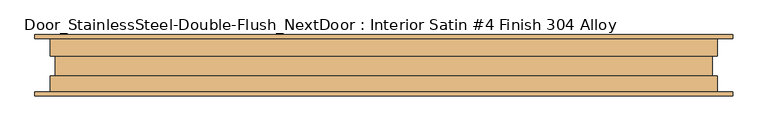
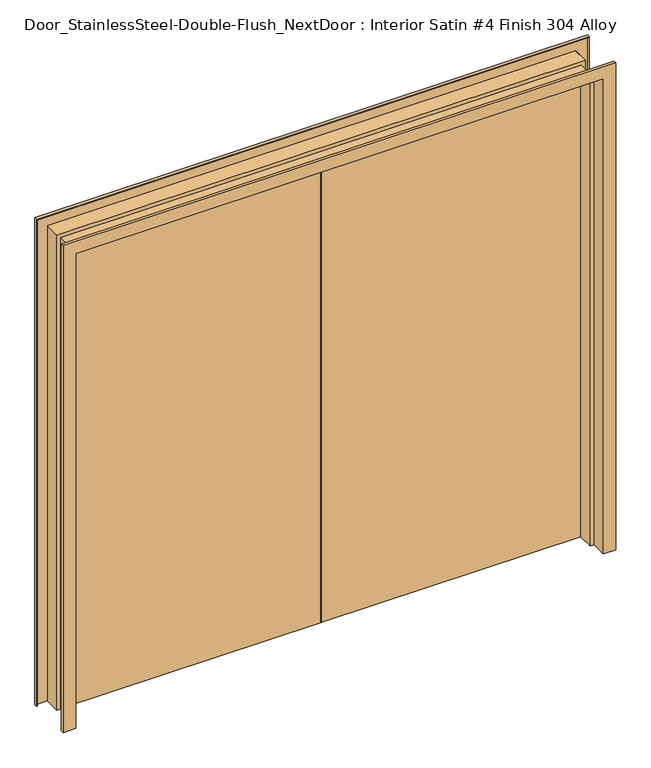
"""IFC4 building model written with IfcOpenShell, lengths in millimetres: door geometry, Door_StainlessSteel-Double-Flush_NextDoor : Interior Satin #4 Finish 304 Alloy."""

from ifc_helpers import new_model, si_unit, origin, origin_with_axes, place, context, project, spatial, polyline, outline, extrude, faceted_brep, source, transform, mapped, element, save


def door_stainlesssteel_double_flush_nextdoor_interior_satin_4_afc697c7(model_context):
    return source(origin(), model_context, "Body", "SolidModel", [
        faceted_brep([(-1117.6, 96.8375, 0.0), (-1066.8, 96.8375, 0.0), (-1066.8, 30.1625, 0.0), (-1050.925, 30.1625, 0.0), (-1050.925, -36.5125, 0.0), (-1066.8, -36.5125, 0.0), (-1066.8, -100.0125, 0.0), (-1117.6, -100.0125, 0.0), (-1117.6, -87.3125, 0.0), (-1116.0125, -87.3125, 0.0), (-1116.0125, -98.425, 0.0), (-1068.3875, -98.425, 0.0), (-1068.3875, -34.925, 0.0), (-1052.5125, -34.925, 0.0), (-1052.5125, 28.575, 0.0), (-1068.3875, 28.575, 0.0), (-1068.3875, 95.25, 0.0), (-1116.0125, 95.25, 0.0), (-1116.0125, 84.1375, 0.0), (-1117.6, 84.1375, 0.0), (-1117.6, 96.8375, 2082.8), (1117.6, 96.8375, 2082.8), (1117.6, 96.8375, 0.0), (1066.8, 96.8375, 0.0), (1066.8, 96.8375, 2032.0), (-1066.8, 96.8375, 2032.0), (-1066.8, 30.1625, 2032.0), (1066.8, 30.1625, 2032.0), (1066.8, 30.1625, 0.0), (1050.925, 30.1625, 0.0), (1050.925, 30.1625, 2016.125), (-1050.925, 30.1625, 2016.125), (-1050.925, -36.5125, 2016.125), (1050.925, -36.5125, 2016.125), (1050.925, -36.5125, 0.0), (1066.8, -36.5125, 0.0), (1066.8, -36.5125, 2032.0), (-1066.8, -36.5125, 2032.0), (-1066.8, -100.0125, 2032.0), (1066.8, -100.0125, 2032.0), (1066.8, -100.0125, 0.0), (1117.6, -100.0125, 0.0), (1117.6, -100.0125, 2082.8), (-1117.6, -100.0125, 2082.8), (-1117.6, -87.3125, 2082.8), (1117.6, -87.3125, 2082.8), (1117.6, -87.3125, 0.0), (1116.0125, -87.3125, 0.0), (1116.0125, -87.3125, 2081.2125), (-1116.0125, -87.3125, 2081.2125), (-1116.0125, -98.425, 2081.2125), (1116.0125, -98.425, 2081.2125), (1116.0125, -98.425, 0.0), (1068.3875, -98.425, 0.0), (1068.3875, -98.425, 2033.5875), (-1068.3875, -98.425, 2033.5875), (-1068.3875, -34.925, 2033.5875), (1068.3875, -34.925, 2033.5875), (1068.3875, -34.925, 0.0), (1052.5125, -34.925, 0.0), (1052.5125, -34.925, 2017.7125), (-1052.5125, -34.925, 2017.7125), (-1052.5125, 28.575, 2017.7125), (1052.5125, 28.575, 2017.7125), (1052.5125, 28.575, 0.0), (1068.3875, 28.575, 0.0), (1068.3875, 28.575, 2033.5875), (-1068.3875, 28.575, 2033.5875), (-1068.3875, 95.25, 2033.5875), (1068.3875, 95.25, 2033.5875), (1068.3875, 95.25, 0.0), (1116.0125, 95.25, 0.0), (1116.0125, 95.25, 2081.2125), (-1116.0125, 95.25, 2081.2125), (-1116.0125, 84.1375, 2081.2125), (1116.0125, 84.1375, 2081.2125), (1116.0125, 84.1375, 0.0), (1117.6, 84.1375, 0.0), (1117.6, 84.1375, 2082.8), (-1117.6, 84.1375, 2082.8)], [[[0, 1, 2, 3, 4, 5, 6, 7, 8, 9, 10, 11, 12, 13, 14, 15, 16, 17, 18, 19]], [[1, 0, 20, 21, 22, 23, 24, 25]], [[2, 1, 25, 26]], [[3, 2, 26, 27, 28, 29, 30, 31]], [[4, 3, 31, 32]], [[5, 4, 32, 33, 34, 35, 36, 37]], [[6, 5, 37, 38]], [[7, 6, 38, 39, 40, 41, 42, 43]], [[8, 7, 43, 44]], [[9, 8, 44, 45, 46, 47, 48, 49]], [[10, 9, 49, 50]], [[11, 10, 50, 51, 52, 53, 54, 55]], [[12, 11, 55, 56]], [[13, 12, 56, 57, 58, 59, 60, 61]], [[14, 13, 61, 62]], [[15, 14, 62, 63, 64, 65, 66, 67]], [[16, 15, 67, 68]], [[17, 16, 68, 69, 70, 71, 72, 73]], [[18, 17, 73, 74]], [[19, 18, 74, 75, 76, 77, 78, 79]], [[0, 19, 79, 20]], [[21, 78, 77, 22]], [[22, 77, 76, 71, 70, 65, 64, 59, 58, 53, 52, 47, 46, 41, 40, 35, 34, 29, 28, 23]], [[27, 24, 23, 28]], [[33, 30, 29, 34]], [[39, 36, 35, 40]], [[45, 42, 41, 46]], [[51, 48, 47, 52]], [[57, 54, 53, 58]], [[63, 60, 59, 64]], [[69, 66, 65, 70]], [[75, 72, 71, 76]], [[26, 25, 24, 27]], [[32, 31, 30, 33]], [[38, 37, 36, 39]], [[44, 43, 42, 45]], [[50, 49, 48, 51]], [[56, 55, 54, 57]], [[62, 61, 60, 63]], [[68, 67, 66, 69]], [[74, 73, 72, 75]], [[20, 79, 78, 21]]]),
        extrude(outline(polyline([(-1066.8, 30.1625), (-1066.8, 74.6125), (-1.5875, 74.6125), (-1.5875, 30.1625), (-1066.8, 30.1625)])), origin_with_axes(), (0.0, 0.0, 1.0), 2032.0),
        extrude(outline(polyline([(1066.8, 30.1625), (1.5875, 30.1625), (1.5875, 74.6125), (1066.8, 74.6125), (1066.8, 30.1625)])), origin_with_axes(), (0.0, 0.0, 1.0), 2032.0),
    ])


if __name__ == "__main__":
    model = new_model("IFC4")
    model_context = context("Model", 3, world=origin())
    ifc_project = project(units=[si_unit("LENGTHUNIT", "METRE", prefix="MILLI")], contexts=[model_context])
    site = spatial("IfcSite", under=ifc_project)
    building = spatial("IfcBuilding", under=site)
    placement = place(None, origin())
    door_stainlesssteel_double_flush_nextdoor_interior_satin_4_shape = door_stainlesssteel_double_flush_nextdoor_interior_satin_4_afc697c7(model_context)
    element("IfcDoor", 1, ObjectType="Door_StainlessSteel-Double-Flush_NextDoor : Interior Satin #4 Finish 304 Alloy", at=placement, inside=building, context=model_context, shape_type="MappedRepresentation", body=[
        mapped(door_stainlesssteel_double_flush_nextdoor_interior_satin_4_shape, transform((0.0, 0.0, 0.0), x_axis=(1.0, 0.0, 0.0), y_axis=(0.0, 1.0, 0.0), z_axis=(0.0, 0.0, 1.0))),
    ])
    save(model, "model.ifc")
